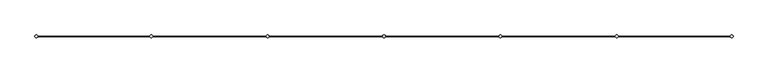
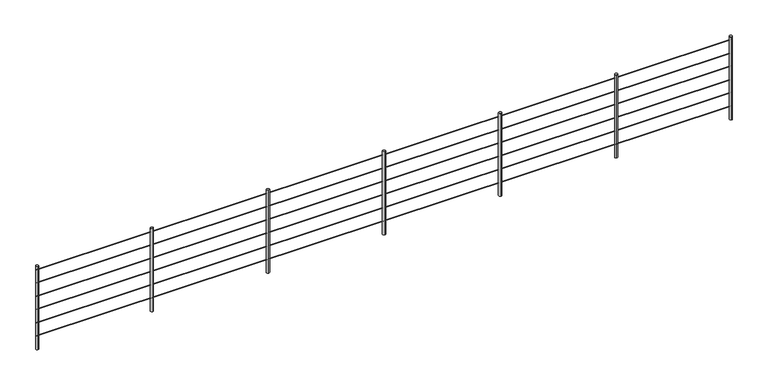
"""IFC4 building model written with IfcOpenShell, lengths in millimetres: railing geometry."""

from ifc_helpers import new_model, si_unit, point, frame, frame_2d, origin, origin_with_axes, place, context, project, spatial, circle_curve, trimmed, segment, composite_curve, outline, extrude, source, transform, mapped, element, save


def railing_b4195438(model_context):
    return source(origin(), model_context, "Body", "SweptSolid", [
        extrude(outline(composite_curve([segment(trimmed(circle_curve(frame_2d((7469.4284183, 1197.0)), 3.0), [point((7466.4284183, 1197.0))], [point((7472.4284183, 1197.0))], False, "CARTESIAN"), True, "CONTINUOUS"), segment(trimmed(circle_curve(frame_2d((7469.4284183, 1197.0)), 3.0), [point((7472.4284183, 1197.0))], [point((7466.4284183, 1197.0))], False, "CARTESIAN"), True, "CONTINUOUS")], self_intersect=False)), frame((9747.1950064, 0.0, 0.0), z_axis=(1.0, 0.0, 0.0), x_axis=(0.0, 1.0, 0.0)), (0.0, 0.0, 1.0), 9945.5264416),
        extrude(outline(composite_curve([segment(trimmed(circle_curve(frame_2d((7469.4284183, 997.0)), 3.0), [point((7466.4284183, 997.0))], [point((7472.4284183, 997.0))], False, "CARTESIAN"), True, "CONTINUOUS"), segment(trimmed(circle_curve(frame_2d((7469.4284183, 997.0)), 3.0), [point((7472.4284183, 997.0))], [point((7466.4284183, 997.0))], False, "CARTESIAN"), True, "CONTINUOUS")], self_intersect=False)), frame((9747.1950064, 0.0, 0.0), z_axis=(1.0, 0.0, 0.0), x_axis=(0.0, 1.0, 0.0)), (0.0, 0.0, 1.0), 9945.5264416),
        extrude(outline(composite_curve([segment(trimmed(circle_curve(frame_2d((7469.4284183, 797.0)), 3.0), [point((7466.4284183, 797.0))], [point((7472.4284183, 797.0))], False, "CARTESIAN"), True, "CONTINUOUS"), segment(trimmed(circle_curve(frame_2d((7469.4284183, 797.0)), 3.0), [point((7472.4284183, 797.0))], [point((7466.4284183, 797.0))], False, "CARTESIAN"), True, "CONTINUOUS")], self_intersect=False)), frame((9747.1950064, 0.0, 0.0), z_axis=(1.0, 0.0, 0.0), x_axis=(0.0, 1.0, 0.0)), (0.0, 0.0, 1.0), 9945.5264416),
        extrude(outline(composite_curve([segment(trimmed(circle_curve(frame_2d((7469.4284183, 597.0)), 3.0), [point((7466.4284183, 597.0))], [point((7472.4284183, 597.0))], False, "CARTESIAN"), True, "CONTINUOUS"), segment(trimmed(circle_curve(frame_2d((7469.4284183, 597.0)), 3.0), [point((7472.4284183, 597.0))], [point((7466.4284183, 597.0))], False, "CARTESIAN"), True, "CONTINUOUS")], self_intersect=False)), frame((9747.1950064, 0.0, 0.0), z_axis=(1.0, 0.0, 0.0), x_axis=(0.0, 1.0, 0.0)), (0.0, 0.0, 1.0), 9945.5264416),
        extrude(outline(composite_curve([segment(trimmed(circle_curve(frame_2d((7469.4284183, 397.0)), 3.0), [point((7466.4284183, 397.0))], [point((7472.4284183, 397.0))], False, "CARTESIAN"), True, "CONTINUOUS"), segment(trimmed(circle_curve(frame_2d((7469.4284183, 397.0)), 3.0), [point((7472.4284183, 397.0))], [point((7466.4284183, 397.0))], False, "CARTESIAN"), True, "CONTINUOUS")], self_intersect=False)), frame((9747.1950064, 0.0, 0.0), z_axis=(1.0, 0.0, 0.0), x_axis=(0.0, 1.0, 0.0)), (0.0, 0.0, 1.0), 9945.5264416),
        extrude(outline(composite_curve([segment(trimmed(circle_curve(frame_2d((7469.4284183, 197.0)), 3.0), [point((7466.4284183, 197.0))], [point((7472.4284183, 197.0))], False, "CARTESIAN"), True, "CONTINUOUS"), segment(trimmed(circle_curve(frame_2d((7469.4284183, 197.0)), 3.0), [point((7472.4284183, 197.0))], [point((7466.4284183, 197.0))], False, "CARTESIAN"), True, "CONTINUOUS")], self_intersect=False)), frame((9747.1950064, 0.0, 0.0), z_axis=(1.0, 0.0, 0.0), x_axis=(0.0, 1.0, 0.0)), (0.0, 0.0, 1.0), 9945.5264416),
        extrude(outline(composite_curve([segment(trimmed(circle_curve(frame_2d((11404.7827467, 7469.4284183)), 20.0), [point((11404.7827467, 7449.4284183))], [point((11404.7827467, 7489.4284183))], False, "CARTESIAN"), True, "CONTINUOUS"), segment(trimmed(circle_curve(frame_2d((11404.7827467, 7469.4284183)), 20.0), [point((11404.7827467, 7489.4284183))], [point((11404.7827467, 7449.4284183))], False, "CARTESIAN"), True, "CONTINUOUS")], self_intersect=False)), origin_with_axes(), (0.0, 0.0, 1.0), 1250.0),
        extrude(outline(composite_curve([segment(trimmed(circle_curve(frame_2d((13062.3704869, 7469.4284183)), 20.0), [point((13062.3704869, 7449.4284183))], [point((13062.3704869, 7489.4284183))], False, "CARTESIAN"), True, "CONTINUOUS"), segment(trimmed(circle_curve(frame_2d((13062.3704869, 7469.4284183)), 20.0), [point((13062.3704869, 7489.4284183))], [point((13062.3704869, 7449.4284183))], False, "CARTESIAN"), True, "CONTINUOUS")], self_intersect=False)), origin_with_axes(), (0.0, 0.0, 1.0), 1250.0),
        extrude(outline(composite_curve([segment(trimmed(circle_curve(frame_2d((14719.9582272, 7469.4284183)), 20.0), [point((14719.9582272, 7449.4284183))], [point((14719.9582272, 7489.4284183))], False, "CARTESIAN"), True, "CONTINUOUS"), segment(trimmed(circle_curve(frame_2d((14719.9582272, 7469.4284183)), 20.0), [point((14719.9582272, 7489.4284183))], [point((14719.9582272, 7449.4284183))], False, "CARTESIAN"), True, "CONTINUOUS")], self_intersect=False)), origin_with_axes(), (0.0, 0.0, 1.0), 1250.0),
        extrude(outline(composite_curve([segment(trimmed(circle_curve(frame_2d((16377.5459674, 7469.4284183)), 20.0), [point((16377.5459674, 7449.4284183))], [point((16377.5459674, 7489.4284183))], False, "CARTESIAN"), True, "CONTINUOUS"), segment(trimmed(circle_curve(frame_2d((16377.5459674, 7469.4284183)), 20.0), [point((16377.5459674, 7489.4284183))], [point((16377.5459674, 7449.4284183))], False, "CARTESIAN"), True, "CONTINUOUS")], self_intersect=False)), origin_with_axes(), (0.0, 0.0, 1.0), 1250.0),
        extrude(outline(composite_curve([segment(trimmed(circle_curve(frame_2d((18035.1337077, 7469.4284183)), 20.0), [point((18035.1337077, 7449.4284183))], [point((18035.1337077, 7489.4284183))], False, "CARTESIAN"), True, "CONTINUOUS"), segment(trimmed(circle_curve(frame_2d((18035.1337077, 7469.4284183)), 20.0), [point((18035.1337077, 7489.4284183))], [point((18035.1337077, 7449.4284183))], False, "CARTESIAN"), True, "CONTINUOUS")], self_intersect=False)), origin_with_axes(), (0.0, 0.0, 1.0), 1250.0),
        extrude(outline(composite_curve([segment(trimmed(circle_curve(frame_2d((9767.1950064, 7469.4284183)), 20.0), [point((9767.1950064, 7449.4284183))], [point((9767.1950064, 7489.4284183))], False, "CARTESIAN"), True, "CONTINUOUS"), segment(trimmed(circle_curve(frame_2d((9767.1950064, 7469.4284183)), 20.0), [point((9767.1950064, 7489.4284183))], [point((9767.1950064, 7449.4284183))], False, "CARTESIAN"), True, "CONTINUOUS")], self_intersect=False)), origin_with_axes(), (0.0, 0.0, 1.0), 1250.0),
        extrude(outline(composite_curve([segment(trimmed(circle_curve(frame_2d((19672.721448, 7469.4284183)), 20.0), [point((19672.721448, 7449.4284183))], [point((19672.721448, 7489.4284183))], False, "CARTESIAN"), True, "CONTINUOUS"), segment(trimmed(circle_curve(frame_2d((19672.721448, 7469.4284183)), 20.0), [point((19672.721448, 7489.4284183))], [point((19672.721448, 7449.4284183))], False, "CARTESIAN"), True, "CONTINUOUS")], self_intersect=False)), origin_with_axes(), (0.0, 0.0, 1.0), 1250.0),
    ])


if __name__ == "__main__":
    model = new_model("IFC4")
    model_context = context("Model", 3, world=origin())
    ifc_project = project(units=[si_unit("LENGTHUNIT", "METRE", prefix="MILLI")], contexts=[model_context])
    site = spatial("IfcSite", under=ifc_project)
    building = spatial("IfcBuilding", under=site)
    placement = place(None, origin())
    railing_shape = railing_b4195438(model_context)
    element("IfcRailing", 1, at=placement, inside=building, context=model_context, shape_type="MappedRepresentation", body=[
        mapped(railing_shape, transform((0.0, 0.0, 0.0), x_axis=(1.0, 0.0, 0.0), y_axis=(0.0, 1.0, 0.0), z_axis=(0.0, 0.0, 1.0))),
    ])
    save(model, "model.ifc")
